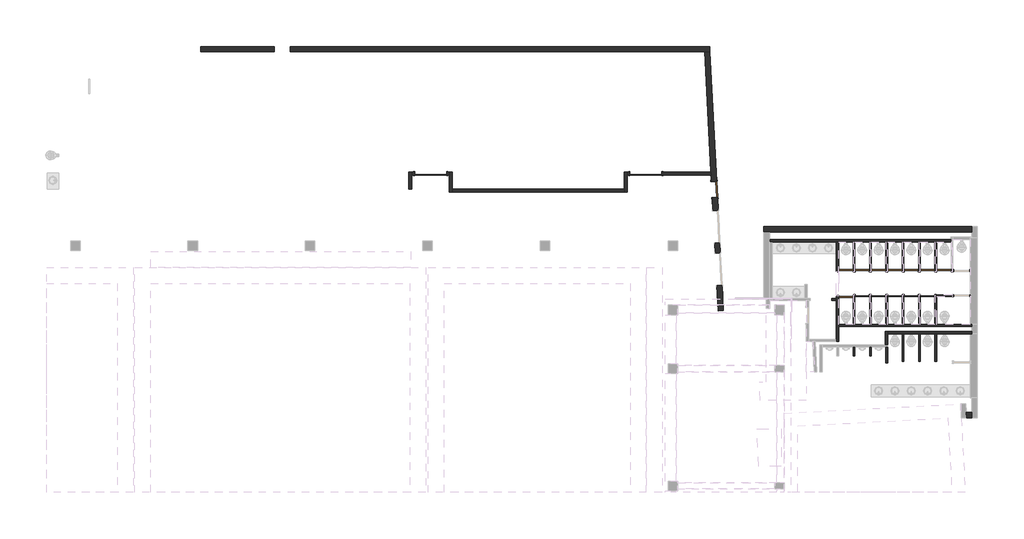
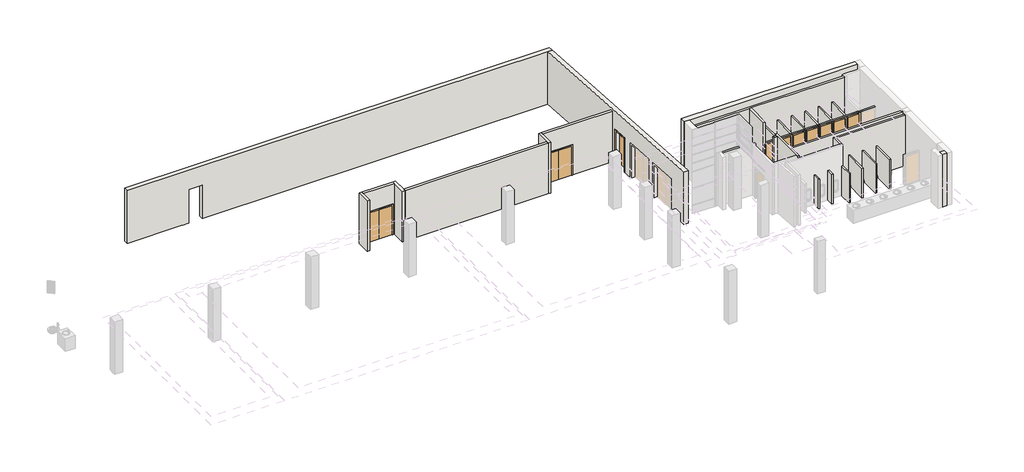
# One storey, part 26 of 36: 38 walls, 16 doors.
"""IFC4 building model written with IfcOpenShell, lengths in millimetres."""

import ifcopenshell
import ifcopenshell.guid

model = None  # the IFC model being written
_history = None  # IfcOwnerHistory: only IFC2X3 demands one
_inside = {}  # id of a spatial element -> (the spatial element, [elements in it])
_under = {}  # id of a project, library or spatial element -> (it, [spatial elements below it])
_declared = {}  # id of a project -> (the project, [libraries it declares])
_typed = {}  # id of a type object -> (the type object, [elements of that type])
_made_of = {}  # id of a material, layer set ... -> (it, [elements and type objects made of it])


def new_model(schema):
    """Start an empty IFC model of exactly this schema.

    Asked for "IFC4X3", IfcOpenShell would pick the latest addendum, in which some entities
    have other attributes; the version numbers below select the first issue.
    IFC2X3 requires an IfcOwnerHistory on every rooted entity: one is made here for all.
    """
    global model, _history
    if schema == "IFC4X3":
        model = ifcopenshell.file(schema_version=(4, 3, 0, 0))
    else:
        model = ifcopenshell.file(schema=schema)
    _inside.clear()
    _under.clear()
    _declared.clear()
    _typed.clear()
    _made_of.clear()
    _history = None
    if model.schema == "IFC2X3":
        org = make("IfcOrganization", Name="unknown")
        user = make(
            "IfcPersonAndOrganization",
            ThePerson=make("IfcPerson", FamilyName="unknown"),
            TheOrganization=org,
        )
        app = make(
            "IfcApplication",
            ApplicationDeveloper=org,
            Version="unknown",
            ApplicationFullName="unknown",
            ApplicationIdentifier="unknown",
        )
        _history = make(
            "IfcOwnerHistory",
            OwningUser=user,
            OwningApplication=app,
            ChangeAction="ADDED",
            CreationDate=0,
        )
    return model


def make(cls, **values):
    """One entity of the class cls with the attributes given. An attribute that is None is left unset."""
    return model.create_entity(
        cls, **{name: value for name, value in values.items() if value is not None}
    )


def rooted(cls, **values):
    """An entity with a GlobalId (a new one), such as an element, a storey or a relation."""
    return make(cls, GlobalId=ifcopenshell.guid.new(), OwnerHistory=_history, **values)


def si_unit(unit_type, name, prefix=None):
    """IfcSIUnit, for example si_unit("LENGTHUNIT", "METRE", prefix="MILLI")."""
    return make("IfcSIUnit", UnitType=unit_type, Prefix=prefix, Name=name)


def assignment(units):
    """IfcUnitAssignment: the units of a project."""
    return None if units is None else make("IfcUnitAssignment", Units=units)


def point(xyz):
    """IfcCartesianPoint."""
    return None if xyz is None else make("IfcCartesianPoint", Coordinates=xyz)


def direction(xyz):
    """IfcDirection."""
    return None if xyz is None else make("IfcDirection", DirectionRatios=xyz)


def frame(location, z_axis=None, x_axis=None):
    """IfcAxis2Placement3D, a coordinate frame: its origin and axes. An axis left out is left unset."""
    return make(
        "IfcAxis2Placement3D",
        Location=point(location),
        Axis=direction(z_axis),
        RefDirection=direction(x_axis),
    )


def origin():
    """The frame at (0, 0, 0) with its axes left unset."""
    return frame((0.0, 0.0, 0.0))


def origin_with_axes():
    """The frame at (0, 0, 0) with the z axis (0, 0, 1) and the x axis (1, 0, 0) written out."""
    return frame((0.0, 0.0, 0.0), z_axis=(0.0, 0.0, 1.0), x_axis=(1.0, 0.0, 0.0))


def place(relative_to, where):
    """IfcLocalPlacement: puts the frame where relative to a parent placement (None: the world)."""
    return make(
        "IfcLocalPlacement", PlacementRelTo=relative_to, RelativePlacement=where
    )


def context(
    kind, dimensions, precision=None, world=None, true_north=None, identifier=None
):
    """IfcGeometricRepresentationContext, for example the 3D "Model" context."""
    return make(
        "IfcGeometricRepresentationContext",
        ContextIdentifier=identifier,
        ContextType=kind,
        CoordinateSpaceDimension=dimensions,
        Precision=precision,
        WorldCoordinateSystem=world,
        TrueNorth=true_north,
    )


def project(units=None, contexts=None):
    """IfcProject with its units and contexts."""
    return rooted(
        "IfcProject",
        Name="project",
        RepresentationContexts=contexts,
        UnitsInContext=assignment(units),
    )


def spatial(cls, under=None, at=None, **own):
    """A site, building, storey or space (cls), placed at a placement, below another one or the project."""
    s = rooted(cls, ObjectPlacement=at, **own)
    if under is not None:
        _under.setdefault(under.id(), (under, []))[1].append(s)
    return s


def polyline(points):
    """IfcPolyline through the points."""
    return make("IfcPolyline", Points=[point(p) for p in points])


def outline(outer, holes=None, kind="AREA"):
    """IfcArbitraryClosedProfileDef: a profile drawn as a closed curve; with holes, ...WithVoids."""
    if holes is None:
        return make("IfcArbitraryClosedProfileDef", ProfileType=kind, OuterCurve=outer)
    return make(
        "IfcArbitraryProfileDefWithVoids",
        ProfileType=kind,
        OuterCurve=outer,
        InnerCurves=holes,
    )


def extrude(swept, where, along, depth):
    """IfcExtrudedAreaSolid: the profile swept, set in the frame where, extruded along a direction by depth."""
    return make(
        "IfcExtrudedAreaSolid",
        SweptArea=swept,
        Position=where,
        ExtrudedDirection=direction(along),
        Depth=depth,
    )


def faces_of(points, faces, orient=None, outer=None):
    """IfcFace entities. A face is a list of loops; a loop is a list of indices into points, from 0.

    orient and outer hold one flag for each loop. By default every Orientation is true, the
    first loop of a face is its IfcFaceOuterBound and the others are IfcFaceBound.
    """
    made = []
    for i, loops in enumerate(faces):
        bounds = []
        for j, loop in enumerate(loops):
            is_outer = j == 0 if outer is None else outer[i][j]
            bounds.append(
                make(
                    "IfcFaceOuterBound" if is_outer else "IfcFaceBound",
                    Bound=make("IfcPolyLoop", Polygon=[points[k] for k in loop]),
                    Orientation=True if orient is None else orient[i][j],
                )
            )
        made.append(make("IfcFace", Bounds=bounds))
    return made


def faceted_brep(points, faces, orient=None, outer=None, voids=None):
    """IfcFacetedBrep: a solid bounded by flat faces; with voids (closed shells), ...WithVoids."""
    shared = [point(p) for p in points]
    hull = make("IfcClosedShell", CfsFaces=faces_of(shared, faces, orient, outer))
    if voids is None:
        return make("IfcFacetedBrep", Outer=hull)
    return make(
        "IfcFacetedBrepWithVoids",
        Outer=hull,
        Voids=[
            make(cls, CfsFaces=faces_of(shared, fs, o, b)) for cls, fs, o, b in voids
        ],
    )


def shape(context_of_items, identifier, shape_type, items):
    """IfcShapeRepresentation: the items that make up one representation, for example the "Body"."""
    return make(
        "IfcShapeRepresentation",
        ContextOfItems=context_of_items,
        RepresentationIdentifier=identifier,
        RepresentationType=shape_type,
        Items=items,
    )


def source(mapping_origin, context_of_items, identifier, shape_type, items):
    """IfcRepresentationMap: a shape defined once, which mapped items show again and again."""
    return make(
        "IfcRepresentationMap",
        MappingOrigin=mapping_origin,
        MappedRepresentation=shape(context_of_items, identifier, shape_type, items),
    )


def transform(
    local_origin,
    x_axis=None,
    y_axis=None,
    z_axis=None,
    scale=None,
    scale2=None,
    scale3=None,
    uniform=True,
):
    """IfcCartesianTransformationOperator3D, or its non-uniform kind. x_axis, y_axis, z_axis: its Axis1, 2, 3."""
    if uniform:
        return make(
            "IfcCartesianTransformationOperator3D",
            Axis1=direction(x_axis),
            Axis2=direction(y_axis),
            LocalOrigin=point(local_origin),
            Scale=scale,
            Axis3=direction(z_axis),
        )
    return make(
        "IfcCartesianTransformationOperator3DnonUniform",
        Axis1=direction(x_axis),
        Axis2=direction(y_axis),
        LocalOrigin=point(local_origin),
        Scale=scale,
        Axis3=direction(z_axis),
        Scale2=scale2,
        Scale3=scale3,
    )


def mapped(mapping_source, mapping_target):
    """IfcMappedItem: shows the shape of a source again, moved by a transform."""
    return make(
        "IfcMappedItem", MappingSource=mapping_source, MappingTarget=mapping_target
    )


def made_of(thing, what):
    """Note that an element or type object is made of a material, layer set ...; save() writes the relation."""
    if what is not None:
        _made_of.setdefault(what.id(), (what, []))[1].append(thing)
    return thing


def element(
    cls,
    number,
    at=None,
    inside=None,
    cuts=None,
    type_object=None,
    material=None,
    context=None,
    identifier="Body",
    shape_type=None,
    held_by="IfcProductDefinitionShape",
    body=None,
    shapes=None,
    **own,
):
    """One element of the class cls, such as IfcWall. Its Tag is "e" and its number.

    at: its placement. inside: the storey or other place that contains it. cuts: it is an
    opening in that element (IfcRelVoidsElement). A single representation is given by context,
    identifier, shape_type and body (its items); several are given by shapes. held_by: the class
    of the entity that holds the representations. save() writes the other relations.
    """
    e = rooted(cls, Tag="e%d" % number, ObjectPlacement=at, **own)
    if body is not None:
        shapes = [shape(context, identifier, shape_type, body)]
    if shapes is not None:
        e.Representation = make(held_by, Representations=shapes)
    if inside is not None:
        _inside.setdefault(inside.id(), (inside, []))[1].append(e)
    if cuts is not None:
        rooted(
            "IfcRelVoidsElement", RelatingBuildingElement=cuts, RelatedOpeningElement=e
        )
    if type_object is not None:
        _typed.setdefault(type_object.id(), (type_object, []))[1].append(e)
    return made_of(e, material)


def aggregate(whole, parts):
    """IfcRelAggregates: a whole, such as a stair, and the parts it consists of."""
    return rooted("IfcRelAggregates", RelatingObject=whole, RelatedObjects=parts)


def save(model, path):
    """Write the relations noted so far, then the file.

    IfcRelAggregates (storeys below a building ...), IfcRelContainedInSpatialStructure (elements
    in a storey), IfcRelDefinesByType, IfcRelAssociatesMaterial and IfcRelDeclares: one each for
    every whole, place, type object, material and project.
    """
    for whole, parts in _under.values():
        aggregate(whole, parts)
    for where, things in _inside.values():
        rooted(
            "IfcRelContainedInSpatialStructure",
            RelatedElements=things,
            RelatingStructure=where,
        )
    for kind, things in _typed.values():
        rooted("IfcRelDefinesByType", RelatedObjects=things, RelatingType=kind)
    for what, things in _made_of.values():
        rooted("IfcRelAssociatesMaterial", RelatedObjects=things, RelatingMaterial=what)
    for by, libraries in _declared.values():
        rooted("IfcRelDeclares", RelatingContext=by, RelatedDefinitions=libraries)
    model.write(path)


def door_798f09d1(model_context):
    return source(origin(), model_context, "Body", "SweptSolid", [
        extrude(outline(polyline([(0.0, 88.9), (914.4, 88.9), (914.4, 38.1), (0.0, 38.1), (0.0, 88.9)])), origin_with_axes(), (0.0, 0.0, 1.0), 2133.6),
        extrude(outline(polyline([(-914.4, 88.9), (0.0, 88.9), (0.0, 38.1), (-914.4, 38.1), (-914.4, 88.9)])), origin_with_axes(), (0.0, 0.0, 1.0), 2133.6),
        extrude(outline(polyline([(2133.6, -914.4), (2133.6, 914.4), (0.0, 914.4), (0.0, 990.6), (2209.8, 990.6), (2209.8, -990.6), (0.0, -990.6), (0.0, -914.4), (2133.6, -914.4)])), frame((0.0, -114.3, 0.0), z_axis=(0.0, 1.0, 0.0), x_axis=(0.0, 0.0, 1.0)), (0.0, 0.0, 1.0), 25.4),
        extrude(outline(polyline([(2133.6, -914.4), (2133.6, 914.4), (0.0, 914.4), (0.0, 990.6), (2209.8, 990.6), (2209.8, -990.6), (0.0, -990.6), (0.0, -914.4), (2133.6, -914.4)])), frame((0.0, 88.9, 0.0), z_axis=(0.0, 1.0, 0.0), x_axis=(0.0, 0.0, 1.0)), (0.0, 0.0, 1.0), 25.4),
    ])


def door_2c56e52c(model_context):
    return source(origin(), model_context, "Body", "SweptSolid", [
        extrude(outline(polyline([(2108.2, -482.6), (0.0, -482.6), (0.0, -406.4), (2032.0, -406.4), (2032.0, 406.4), (0.0, 406.4), (0.0, 482.6), (2108.2, 482.6), (2108.2, -482.6)])), frame((0.0, -73.025, 0.0), z_axis=(0.0, 1.0, 0.0), x_axis=(0.0, 0.0, 1.0)), (0.0, 0.0, 1.0), 25.4),
        extrude(outline(polyline([(2108.2, 482.6), (2108.2, -482.6), (0.0, -482.6), (0.0, -406.4), (2032.0, -406.4), (2032.0, 406.4), (0.0, 406.4), (0.0, 482.6), (2108.2, 482.6)])), frame((0.0, 47.625, 0.0), z_axis=(0.0, 1.0, 0.0), x_axis=(0.0, 0.0, 1.0)), (0.0, 0.0, 1.0), 25.4),
        extrude(outline(polyline([(406.4, 3.175), (406.4, -47.625), (-406.4, -47.625), (-406.4, 3.175), (406.4, 3.175)])), origin_with_axes(), (0.0, 0.0, 1.0), 2032.0),
    ])


def door_a74dcce1(model_context):
    return source(origin(), model_context, "Body", "SweptSolid", [
        extrude(outline(polyline([(2108.2, -482.6), (0.0, -482.6), (0.0, -406.4), (2032.0, -406.4), (2032.0, 406.4), (0.0, 406.4), (0.0, 482.6), (2108.2, 482.6), (2108.2, -482.6)])), frame((0.0, 47.625, 0.0), z_axis=(0.0, 1.0, 0.0), x_axis=(0.0, 0.0, 1.0)), (0.0, 0.0, 1.0), 25.4),
        extrude(outline(polyline([(2108.2, 482.6), (2108.2, -482.6), (0.0, -482.6), (0.0, -406.4), (2032.0, -406.4), (2032.0, 406.4), (0.0, 406.4), (0.0, 482.6), (2108.2, 482.6)])), frame((0.0, -73.025, 0.0), z_axis=(0.0, 1.0, 0.0), x_axis=(0.0, 0.0, 1.0)), (0.0, 0.0, 1.0), 25.4),
        extrude(outline(polyline([(406.4, -3.175), (-406.4, -3.175), (-406.4, 47.625), (406.4, 47.625), (406.4, -3.175)])), origin_with_axes(), (0.0, 0.0, 1.0), 2032.0),
    ])


def door_43aeee98(model_context):
    return source(origin(), model_context, "Body", "SweptSolid", [
        extrude(outline(polyline([(2514.6, -533.4), (0.0, -533.4), (0.0, -457.2), (2438.4, -457.2), (2438.4, 457.2), (0.0, 457.2), (0.0, 533.4), (2514.6, 533.4), (2514.6, -533.4)])), frame((0.0, 152.4, 0.0), z_axis=(0.0, 1.0, 0.0), x_axis=(0.0, 0.0, 1.0)), (0.0, 0.0, 1.0), 25.4),
        extrude(outline(polyline([(2514.6, 533.4), (2514.6, -533.4), (0.0, -533.4), (0.0, -457.2), (2438.4, -457.2), (2438.4, 457.2), (0.0, 457.2), (0.0, 533.4), (2514.6, 533.4)])), frame((0.0, -177.8, 0.0), z_axis=(0.0, 1.0, 0.0), x_axis=(0.0, 0.0, 1.0)), (0.0, 0.0, 1.0), 25.4),
        extrude(outline(polyline([(457.2, 101.6), (-457.2, 101.6), (-457.2, 152.4), (457.2, 152.4), (457.2, 101.6)])), origin_with_axes(), (0.0, 0.0, 1.0), 2438.4),
    ])


model = new_model("IFC4")

# Units and contexts
model_context = context("Model", 3, world=origin())
ifc_project = project(units=[si_unit("LENGTHUNIT", "METRE", prefix="MILLI")], contexts=[model_context])

# Site, building, storey
site = spatial("IfcSite", under=ifc_project)
building = spatial("IfcBuilding", under=site)
storey = spatial("IfcBuildingStorey", under=building, Elevation=0.0)

# Doors
placement = place(None, origin())
door_shape = door_798f09d1(model_context)
element("IfcDoor", 1, ObjectType="Double-Flush : 72\" x 84\"", at=placement, inside=storey, context=model_context, shape_type="MappedRepresentation", body=[
    mapped(door_shape, transform((2360.6559655, 18650.740365, 0.0), x_axis=(-1.0, 0.0, 0.0), y_axis=(0.0, -1.0, 0.0), z_axis=(0.0, 0.0, 1.0))),
])
element("IfcDoor", 2, ObjectType="Double-Flush : 72\" x 84\"", at=placement, inside=storey, context=model_context, shape_type="MappedRepresentation", body=[
    mapped(door_shape, transform((14654.2559655, 18650.740365, 0.0), x_axis=(-1.0, 0.0, 0.0), y_axis=(0.0, -1.0, 0.0), z_axis=(0.0, 0.0, 1.0))),
])
door_2_shape = door_2c56e52c(model_context)
element("IfcDoor", 3, ObjectType="Single-Flush : 32\" x 80\"", at=placement, inside=storey, context=model_context, shape_type="MappedRepresentation", body=[
    mapped(door_2_shape, transform((27014.5309655, 13116.715365, 0.0), x_axis=(-1.0, 0.0, 0.0), y_axis=(0.0, -1.0, 0.0), z_axis=(0.0, 0.0, 1.0))),
])
element("IfcDoor", 4, ObjectType="Single-Flush : 32\" x 80\"", at=placement, inside=storey, context=model_context, shape_type="MappedRepresentation", body=[
    mapped(door_2_shape, transform((27947.9809655, 13116.715365, 0.0), x_axis=(-1.0, 0.0, 0.0), y_axis=(0.0, -1.0, 0.0), z_axis=(0.0, 0.0, 1.0))),
])
element("IfcDoor", 5, ObjectType="Single-Flush : 32\" x 80\"", at=placement, inside=storey, context=model_context, shape_type="MappedRepresentation", body=[
    mapped(door_2_shape, transform((28881.4309655, 13116.715365, 0.0), x_axis=(-1.0, 0.0, 0.0), y_axis=(0.0, -1.0, 0.0), z_axis=(0.0, 0.0, 1.0))),
])
element("IfcDoor", 6, ObjectType="Single-Flush : 32\" x 80\"", at=placement, inside=storey, context=model_context, shape_type="MappedRepresentation", body=[
    mapped(door_2_shape, transform((29814.8809655, 13116.715365, 0.0), x_axis=(-1.0, 0.0, 0.0), y_axis=(0.0, -1.0, 0.0), z_axis=(0.0, 0.0, 1.0))),
])
element("IfcDoor", 7, ObjectType="Single-Flush : 32\" x 80\"", at=placement, inside=storey, context=model_context, shape_type="MappedRepresentation", body=[
    mapped(door_2_shape, transform((30748.3309655, 13116.715365, 0.0), x_axis=(-1.0, 0.0, 0.0), y_axis=(0.0, -1.0, 0.0), z_axis=(0.0, 0.0, 1.0))),
])
element("IfcDoor", 8, ObjectType="Single-Flush : 32\" x 80\"", at=placement, inside=storey, context=model_context, shape_type="MappedRepresentation", body=[
    mapped(door_2_shape, transform((26081.0809655, 13116.715365, 0.0), x_axis=(-1.0, 0.0, 0.0), y_axis=(0.0, -1.0, 0.0), z_axis=(0.0, 0.0, 1.0))),
])
element("IfcDoor", 9, ObjectType="Single-Flush : 32\" x 80\"", at=placement, inside=storey, context=model_context, shape_type="MappedRepresentation", body=[
    mapped(door_2_shape, transform((31681.7809655, 13116.715365, 0.0), x_axis=(-1.0, 0.0, 0.0), y_axis=(0.0, -1.0, 0.0), z_axis=(0.0, 0.0, 1.0))),
])
door_3_shape = door_a74dcce1(model_context)
element("IfcDoor", 10, ObjectType="Single-Flush : 32\" x 80\"", at=placement, inside=storey, context=model_context, shape_type="MappedRepresentation", body=[
    mapped(door_3_shape, transform((27014.5309655, 11675.265365, 0.0), x_axis=(-1.0, 0.0, 0.0), y_axis=(0.0, -1.0, 0.0), z_axis=(0.0, 0.0, 1.0))),
])
element("IfcDoor", 11, ObjectType="Single-Flush : 32\" x 80\"", at=placement, inside=storey, context=model_context, shape_type="MappedRepresentation", body=[
    mapped(door_3_shape, transform((27947.9809655, 11675.265365, 0.0), x_axis=(-1.0, 0.0, 0.0), y_axis=(0.0, -1.0, 0.0), z_axis=(0.0, 0.0, 1.0))),
])
element("IfcDoor", 12, ObjectType="Single-Flush : 32\" x 80\"", at=placement, inside=storey, context=model_context, shape_type="MappedRepresentation", body=[
    mapped(door_3_shape, transform((28881.4309655, 11675.265365, 0.0), x_axis=(-1.0, 0.0, 0.0), y_axis=(0.0, -1.0, 0.0), z_axis=(0.0, 0.0, 1.0))),
])
element("IfcDoor", 13, ObjectType="Single-Flush : 32\" x 80\"", at=placement, inside=storey, context=model_context, shape_type="MappedRepresentation", body=[
    mapped(door_3_shape, transform((29814.8809655, 11675.265365, 0.0), x_axis=(-1.0, 0.0, 0.0), y_axis=(0.0, -1.0, 0.0), z_axis=(0.0, 0.0, 1.0))),
])
element("IfcDoor", 14, ObjectType="Single-Flush : 32\" x 80\"", at=placement, inside=storey, context=model_context, shape_type="MappedRepresentation", body=[
    mapped(door_3_shape, transform((30748.3309655, 11675.265365, 0.0), x_axis=(-1.0, 0.0, 0.0), y_axis=(0.0, -1.0, 0.0), z_axis=(0.0, 0.0, 1.0))),
])
element("IfcDoor", 15, ObjectType="Single-Flush : 32\" x 80\"", at=placement, inside=storey, context=model_context, shape_type="MappedRepresentation", body=[
    mapped(door_3_shape, transform((26081.0809655, 11624.465365, 0.0), x_axis=(-1.0, 0.0, 0.0), y_axis=(0.0, -1.0, 0.0), z_axis=(0.0, 0.0, 1.0))),
])
door_4_shape = door_43aeee98(model_context)
element("IfcDoor", 16, ObjectType="Single-Flush : 36\" x 96\"", at=placement, inside=storey, context=model_context, shape_type="MappedRepresentation", body=[
    mapped(door_4_shape, transform((18571.2944152, 17753.8026414, 0.0), x_axis=(0.0523359562429422, -0.9986295347545739, 0.0), y_axis=(0.9986295347545739, 0.0523359562429422, 0.0), z_axis=(0.0, 0.0, 1.0))),
])

# Walls
element("IfcWall", 17, ObjectType="Generic - 12\"", at=placement, inside=storey, context=model_context, shape_type="Brep", body=[
    faceted_brep([(-6567.4440345, 25927.840365, 2438.4), (-6567.4440345, 25927.840365, 0.0), (-10771.1440345, 25927.840365, 0.0), (-10771.1440345, 25927.840365, 3810.0), (18295.5203958, 25927.840365, 3810.0), (18295.5203958, 25927.840365, 0.0), (-5653.0440345, 25927.840365, 0.0), (-5653.0440345, 25927.840365, 2438.4), (-10771.1440345, 25623.040365, 0.0), (-7113.5440345, 25623.040365, 0.0), (-6935.7440345, 25623.040365, 0.0), (-6567.4440345, 25623.040365, 0.0), (-6567.4440345, 25623.040365, 2438.4), (-5653.0440345, 25623.040365, 2438.4), (-5653.0440345, 25623.040365, 0.0), (18006.2759959, 25623.040365, 0.0), (18311.494287, 25623.040365, 0.0), (18311.494287, 25623.040365, 3810.0), (18006.2759959, 25623.040365, 3810.0), (-10771.1440345, 25623.040365, 3810.0)], [[[0, 1, 2, 3, 4, 5, 6, 7]], [[8, 9, 10, 11, 12, 13, 14, 15, 16, 17, 18, 19]], [[6, 5, 16, 15, 14]], [[2, 1, 11, 10, 9, 8]], [[4, 3, 19, 18, 17]], [[3, 2, 8, 19]], [[5, 4, 17, 16]], [[12, 11, 1, 0]], [[13, 12, 0, 7]], [[14, 13, 7, 6]]]),
])
element("IfcWall", 18, ObjectType="Generic - 12\"", at=placement, inside=storey, context=model_context, shape_type="Brep", body=[
    faceted_brep([(18782.6759285, 10808.4471267, 3810.0), (18773.3705955, 10986.003458, 3810.0), (18006.2759959, 25623.040365, 3810.0), (18006.2759959, 25623.040365, 0.0), (18367.0197038, 18739.640365, 0.0), (18376.337807, 18561.840365, 0.0), (18395.1752749, 18202.400065, 0.0), (18395.1752749, 18202.400065, 2438.4), (18443.0312733, 17289.2532184, 2438.4), (18443.0312733, 17289.2532184, 0.0), (18482.9112719, 16528.2975129, 0.0), (18482.9112719, 16528.2975129, 2438.4), (18578.6232687, 14702.0038198, 2438.4), (18578.6232687, 14702.0038198, 0.0), (18610.5272676, 14093.2392554, 0.0), (18610.5272676, 14093.2392554, 2438.4), (18706.2392644, 12266.9455622, 2438.4), (18706.2392644, 12266.9455622, 0.0), (18773.3705955, 10986.003458, 0.0), (18782.6759285, 10808.4471267, 0.0), (18311.494287, 25623.040365, 3810.0), (19087.0582107, 10824.3991262, 3810.0), (19087.0582107, 10824.3991262, 0.0), (19010.6215466, 12282.8975617, 0.0), (19010.6215466, 12282.8975617, 2438.4), (18914.9095498, 14109.1912548, 2438.4), (18914.9095498, 14109.1912548, 0.0), (18883.0055509, 14717.9558192, 0.0), (18883.0055509, 14717.9558192, 2438.4), (18787.2935541, 16544.2495124, 2438.4), (18787.2935541, 16544.2495124, 0.0), (18747.4135555, 17305.2052179, 0.0), (18747.4135555, 17305.2052179, 2438.4), (18699.5575571, 18218.3520645, 2438.4), (18699.5575571, 18218.3520645, 0.0), (18311.494287, 25623.040365, 0.0)], [[[0, 1, 2, 3, 4, 5, 6, 7, 8, 9, 10, 11, 12, 13, 14, 15, 16, 17, 18, 19]], [[20, 21, 22, 23, 24, 25, 26, 27, 28, 29, 30, 31, 32, 33, 34, 35]], [[3, 35, 34, 6, 5, 4]], [[22, 19, 18, 17, 23]], [[26, 14, 13, 27]], [[30, 10, 9, 31]], [[2, 1, 0, 21, 20]], [[3, 2, 20, 35]], [[0, 19, 22, 21]], [[16, 24, 23, 17]], [[24, 16, 15, 25]], [[25, 15, 14, 26]], [[12, 28, 27, 13]], [[28, 12, 11, 29]], [[29, 11, 10, 30]], [[8, 32, 31, 9]], [[32, 8, 7, 33]], [[33, 7, 6, 34]]]),
])
element("IfcWall", 19, ObjectType="Generic - 13\"", at=placement, inside=storey, context=model_context, shape_type="Brep", body=[
    faceted_brep([(33266.1059655, 5023.640365, 0.0), (32959.9068161, 5023.640365, 0.0), (32959.9068161, 5023.640365, 3810.0), (33266.1059655, 5023.640365, 3810.0), (33266.1059655, 4693.440365, 0.0), (33266.1059655, 4693.440365, 3810.0), (33053.5164375, 4693.440365, 3810.0), (32977.2118648, 4693.440365, 3810.0), (32977.2118648, 4693.440365, 0.0), (33053.5164375, 4693.440365, 0.0)], [[[0, 1, 2, 3]], [[4, 5, 6, 7, 8, 9]], [[1, 0, 4, 9, 8]], [[3, 2, 7, 6, 5]], [[0, 3, 5, 4]], [[2, 1, 8, 7]]]),
])
element("IfcWall", 20, ObjectType="Generic - 13\"", at=placement, inside=storey, context=model_context, shape_type="Brep", body=[
    faceted_brep([(21401.1309655, 15310.640365, 0.0), (21731.3309655, 15310.640365, 0.0), (33266.1059655, 15310.640365, 0.0), (33266.1059655, 15310.640365, 3810.0), (21731.3309655, 15310.640365, 3810.0), (21401.1309655, 15310.640365, 3810.0), (21401.1309655, 15640.840365, 0.0), (21401.1309655, 15640.840365, 3810.0), (33266.1059655, 15640.840365, 3810.0), (33266.1059655, 15640.840365, 0.0)], [[[0, 1, 2, 3, 4, 5]], [[6, 7, 8, 9]], [[2, 1, 0, 6, 9]], [[5, 4, 3, 8, 7]], [[3, 2, 9, 8]], [[0, 5, 7, 6]]]),
])
element("IfcWall", 21, ObjectType="Generic - 3 3/4\"", at=placement, inside=storey, context=model_context, shape_type="Brep", body=[
    faceted_brep([(26500.1809655, 11722.890365, 0.0), (26500.1809655, 11672.090365, 0.0), (26500.1809655, 11576.840365, 0.0), (26500.1809655, 10046.490365, 0.0), (26500.1809655, 10046.490365, 2133.6), (26500.1809655, 11576.840365, 2133.6), (26500.1809655, 11672.090365, 2133.6), (26500.1809655, 11722.890365, 2133.6), (26595.4309655, 11722.890365, 0.0), (26595.4309655, 11722.890365, 2133.6), (26595.4309655, 11627.640365, 2133.6), (26595.4309655, 10046.490365, 2133.6), (26595.4309655, 10046.490365, 0.0), (26595.4309655, 11627.640365, 0.0)], [[[0, 1, 2, 3, 4, 5, 6, 7]], [[8, 9, 10, 11, 12, 13]], [[3, 2, 1, 0, 8, 13, 12]], [[7, 6, 5, 4, 11, 10, 9]], [[4, 3, 12, 11]], [[0, 7, 9, 8]]]),
])
element("IfcWall", 22, ObjectType="Generic - 3 3/4\"", at=placement, inside=storey, context=model_context, shape_type="SweptSolid", body=[
    extrude(outline(polyline([(27433.6309655, 10046.490365), (27433.6309655, 11627.640365), (27528.8809655, 11627.640365), (27528.8809655, 10046.490365), (27433.6309655, 10046.490365)])), origin_with_axes(), (0.0, 0.0, 1.0), 2133.6),
])
element("IfcWall", 23, ObjectType="Generic - 3 3/4\"", at=placement, inside=storey, context=model_context, shape_type="SweptSolid", body=[
    extrude(outline(polyline([(28367.0809655, 10046.490365), (28367.0809655, 11627.640365), (28462.3309655, 11627.640365), (28462.3309655, 10046.490365), (28367.0809655, 10046.490365)])), origin_with_axes(), (0.0, 0.0, 1.0), 2133.6),
])
element("IfcWall", 24, ObjectType="Generic - 3 3/4\"", at=placement, inside=storey, context=model_context, shape_type="SweptSolid", body=[
    extrude(outline(polyline([(29300.5309655, 10046.490365), (29300.5309655, 11627.640365), (29395.7809655, 11627.640365), (29395.7809655, 10046.490365), (29300.5309655, 10046.490365)])), origin_with_axes(), (0.0, 0.0, 1.0), 2133.6),
])
element("IfcWall", 25, ObjectType="Generic - 3 3/4\"", at=placement, inside=storey, context=model_context, shape_type="SweptSolid", body=[
    extrude(outline(polyline([(30233.9809655, 10046.490365), (30233.9809655, 11627.640365), (30329.2309655, 11627.640365), (30329.2309655, 10046.490365), (30233.9809655, 10046.490365)])), origin_with_axes(), (0.0, 0.0, 1.0), 2133.6),
])
element("IfcWall", 26, ObjectType="Generic - 3 3/4\"", at=placement, inside=storey, context=model_context, shape_type="Brep", body=[
    faceted_brep([(33186.7309655, 11722.890365, 0.0), (33148.6309655, 11722.890365, 0.0), (33148.6309655, 11722.890365, 2032.0), (32234.2309655, 11722.890365, 2032.0), (32234.2309655, 11722.890365, 0.0), (31154.7309655, 11722.890365, 0.0), (31154.7309655, 11722.890365, 2032.0), (30341.9309655, 11722.890365, 2032.0), (30341.9309655, 11722.890365, 0.0), (30221.2809655, 11722.890365, 0.0), (30221.2809655, 11722.890365, 2032.0), (29408.4809655, 11722.890365, 2032.0), (29408.4809655, 11722.890365, 0.0), (29287.8309655, 11722.890365, 0.0), (29287.8309655, 11722.890365, 2032.0), (28475.0309655, 11722.890365, 2032.0), (28475.0309655, 11722.890365, 0.0), (28354.3809655, 11722.890365, 0.0), (28354.3809655, 11722.890365, 2032.0), (27541.5809655, 11722.890365, 2032.0), (27541.5809655, 11722.890365, 0.0), (27420.9309655, 11722.890365, 0.0), (27420.9309655, 11722.890365, 2032.0), (26608.1309655, 11722.890365, 2032.0), (26608.1309655, 11722.890365, 0.0), (26595.4309655, 11722.890365, 0.0), (26595.4309655, 11722.890365, 2133.6), (33186.7309655, 11722.890365, 2133.6), (33148.6309655, 11627.640365, 2032.0), (33148.6309655, 11627.640365, 0.0), (33186.7309655, 11627.640365, 0.0), (33186.7309655, 11627.640365, 2133.6), (31262.6809655, 11627.640365, 2133.6), (31167.4309655, 11627.640365, 2133.6), (30329.2309655, 11627.640365, 2133.6), (30233.9809655, 11627.640365, 2133.6), (29395.7809655, 11627.640365, 2133.6), (29300.5309655, 11627.640365, 2133.6), (28462.3309655, 11627.640365, 2133.6), (28367.0809655, 11627.640365, 2133.6), (27528.8809655, 11627.640365, 2133.6), (27433.6309655, 11627.640365, 2133.6), (26595.4309655, 11627.640365, 2133.6), (26595.4309655, 11627.640365, 0.0), (26608.1309655, 11627.640365, 0.0), (26608.1309655, 11627.640365, 2032.0), (27420.9309655, 11627.640365, 2032.0), (27420.9309655, 11627.640365, 0.0), (27433.6309655, 11627.640365, 0.0), (27528.8809655, 11627.640365, 0.0), (27541.5809655, 11627.640365, 0.0), (27541.5809655, 11627.640365, 2032.0), (28354.3809655, 11627.640365, 2032.0), (28354.3809655, 11627.640365, 0.0), (28367.0809655, 11627.640365, 0.0), (28462.3309655, 11627.640365, 0.0), (28475.0309655, 11627.640365, 0.0), (28475.0309655, 11627.640365, 2032.0), (29287.8309655, 11627.640365, 2032.0), (29287.8309655, 11627.640365, 0.0), (29300.5309655, 11627.640365, 0.0), (29395.7809655, 11627.640365, 0.0), (29408.4809655, 11627.640365, 0.0), (29408.4809655, 11627.640365, 2032.0), (30221.2809655, 11627.640365, 2032.0), (30221.2809655, 11627.640365, 0.0), (30233.9809655, 11627.640365, 0.0), (30329.2309655, 11627.640365, 0.0), (30341.9309655, 11627.640365, 0.0), (30341.9309655, 11627.640365, 2032.0), (31154.7309655, 11627.640365, 2032.0), (31154.7309655, 11627.640365, 0.0), (31167.4309655, 11627.640365, 0.0), (31262.6809655, 11627.640365, 0.0), (32234.2309655, 11627.640365, 0.0), (32234.2309655, 11627.640365, 2032.0)], [[[0, 1, 2, 3, 4, 5, 6, 7, 8, 9, 10, 11, 12, 13, 14, 15, 16, 17, 18, 19, 20, 21, 22, 23, 24, 25, 26, 27]], [[28, 29, 30, 31, 32, 33, 34, 35, 36, 37, 38, 39, 40, 41, 42, 43, 44, 45, 46, 47, 48, 49, 50, 51, 52, 53, 54, 55, 56, 57, 58, 59, 60, 61, 62, 63, 64, 65, 66, 67, 68, 69, 70, 71, 72, 73, 74, 75]], [[25, 24, 44, 43]], [[21, 20, 50, 49, 48, 47]], [[17, 16, 56, 55, 54, 53]], [[13, 12, 62, 61, 60, 59]], [[9, 8, 68, 67, 66, 65]], [[30, 29, 1, 0]], [[74, 73, 72, 71, 5, 4]], [[27, 26, 42, 41, 40, 39, 38, 37, 36, 35, 34, 33, 32, 31]], [[0, 27, 31, 30]], [[45, 44, 24, 23]], [[46, 45, 23, 22]], [[47, 46, 22, 21]], [[26, 25, 43, 42]], [[51, 50, 20, 19]], [[52, 51, 19, 18]], [[53, 52, 18, 17]], [[57, 56, 16, 15]], [[58, 57, 15, 14]], [[59, 58, 14, 13]], [[63, 62, 12, 11]], [[64, 63, 11, 10]], [[65, 64, 10, 9]], [[69, 68, 8, 7]], [[70, 69, 7, 6]], [[71, 70, 6, 5]], [[2, 1, 29, 28]], [[3, 2, 28, 75]], [[4, 3, 75, 74]]]),
])
element("IfcWall", 27, ObjectType="Generic - 3 3/4\"", at=placement, inside=storey, context=model_context, shape_type="SweptSolid", body=[
    extrude(outline(polyline([(31167.4309655, 10046.490365), (31167.4309655, 11627.640365), (31262.6809655, 11627.640365), (31262.6809655, 10046.490365), (31167.4309655, 10046.490365)])), origin_with_axes(), (0.0, 0.0, 1.0), 2133.6),
])
element("IfcWall", 28, ObjectType="Generic - 3 3/4\"", at=placement, inside=storey, context=model_context, shape_type="SweptSolid", body=[
    extrude(outline(polyline([(26500.1809655, 8236.740365), (26500.1809655, 8744.740365), (26595.4309655, 8744.740365), (26595.4309655, 8236.740365), (26500.1809655, 8236.740365)])), origin_with_axes(), (0.0, 0.0, 1.0), 2133.6),
])
element("IfcWall", 29, ObjectType="Generic - 3 3/4\"", at=placement, inside=storey, context=model_context, shape_type="SweptSolid", body=[
    extrude(outline(polyline([(27433.6309655, 8250.1096419), (27433.6309655, 8744.740365), (27528.8809655, 8744.740365), (27528.8809655, 8250.1096419), (27433.6309655, 8250.1096419)])), origin_with_axes(), (0.0, 0.0, 1.0), 2133.6),
])
element("IfcWall", 30, ObjectType="Generic - 3 3/4\"", at=placement, inside=storey, context=model_context, shape_type="SweptSolid", body=[
    extrude(outline(polyline([(0.0, 25661.9809655), (0.0, 25674.6809655), (2032.0, 25674.6809655), (2032.0, 26487.4809655), (0.0, 26487.4809655), (0.0, 26500.1809655), (2133.6, 26500.1809655), (2133.6, 25661.9809655), (0.0, 25661.9809655)])), frame((0.0, 11576.840365, 0.0), z_axis=(0.0, 1.0, 0.0), x_axis=(0.0, 0.0, 1.0)), (0.0, 0.0, 1.0), 95.25),
])
element("IfcWall", 31, ObjectType="Generic - 3 3/4\"", at=placement, inside=storey, context=model_context, shape_type="SweptSolid", body=[
    extrude(outline(polyline([(26595.4309655, 14745.490365), (26595.4309655, 13164.340365), (26500.1809655, 13164.340365), (26500.1809655, 14745.490365), (26595.4309655, 14745.490365)])), origin_with_axes(), (0.0, 0.0, 1.0), 2133.6),
])
element("IfcWall", 32, ObjectType="Generic - 3 3/4\"", at=placement, inside=storey, context=model_context, shape_type="SweptSolid", body=[
    extrude(outline(polyline([(27528.8809655, 14745.490365), (27528.8809655, 13164.340365), (27433.6309655, 13164.340365), (27433.6309655, 14745.490365), (27528.8809655, 14745.490365)])), origin_with_axes(), (0.0, 0.0, 1.0), 2133.6),
])
element("IfcWall", 33, ObjectType="Generic - 3 3/4\"", at=placement, inside=storey, context=model_context, shape_type="SweptSolid", body=[
    extrude(outline(polyline([(28462.3309655, 14745.490365), (28462.3309655, 13164.340365), (28367.0809655, 13164.340365), (28367.0809655, 14745.490365), (28462.3309655, 14745.490365)])), origin_with_axes(), (0.0, 0.0, 1.0), 2133.6),
])
element("IfcWall", 34, ObjectType="Generic - 3 3/4\"", at=placement, inside=storey, context=model_context, shape_type="SweptSolid", body=[
    extrude(outline(polyline([(29395.7809655, 14745.490365), (29395.7809655, 13164.340365), (29300.5309655, 13164.340365), (29300.5309655, 14745.490365), (29395.7809655, 14745.490365)])), origin_with_axes(), (0.0, 0.0, 1.0), 2133.6),
])
element("IfcWall", 35, ObjectType="Generic - 3 3/4\"", at=placement, inside=storey, context=model_context, shape_type="SweptSolid", body=[
    extrude(outline(polyline([(30329.2309655, 14745.490365), (30329.2309655, 13164.340365), (30233.9809655, 13164.340365), (30233.9809655, 14745.490365), (30329.2309655, 14745.490365)])), origin_with_axes(), (0.0, 0.0, 1.0), 2133.6),
])
element("IfcWall", 36, ObjectType="Generic - 3 3/4\"", at=placement, inside=storey, context=model_context, shape_type="Brep", body=[
    faceted_brep([(31275.3809655, 13164.340365, 2032.0), (31275.3809655, 13164.340365, 0.0), (31262.6809655, 13164.340365, 0.0), (31167.4309655, 13164.340365, 0.0), (31154.7309655, 13164.340365, 0.0), (31154.7309655, 13164.340365, 2032.0), (30341.9309655, 13164.340365, 2032.0), (30341.9309655, 13164.340365, 0.0), (30329.2309655, 13164.340365, 0.0), (30233.9809655, 13164.340365, 0.0), (30221.2809655, 13164.340365, 0.0), (30221.2809655, 13164.340365, 2032.0), (29408.4809655, 13164.340365, 2032.0), (29408.4809655, 13164.340365, 0.0), (29395.7809655, 13164.340365, 0.0), (29300.5309655, 13164.340365, 0.0), (29287.8309655, 13164.340365, 0.0), (29287.8309655, 13164.340365, 2032.0), (28475.0309655, 13164.340365, 2032.0), (28475.0309655, 13164.340365, 0.0), (28462.3309655, 13164.340365, 0.0), (28367.0809655, 13164.340365, 0.0), (28354.3809655, 13164.340365, 0.0), (28354.3809655, 13164.340365, 2032.0), (27541.5809655, 13164.340365, 2032.0), (27541.5809655, 13164.340365, 0.0), (27528.8809655, 13164.340365, 0.0), (27433.6309655, 13164.340365, 0.0), (27420.9309655, 13164.340365, 0.0), (27420.9309655, 13164.340365, 2032.0), (26608.1309655, 13164.340365, 2032.0), (26608.1309655, 13164.340365, 0.0), (26595.4309655, 13164.340365, 0.0), (26500.1809655, 13164.340365, 0.0), (26487.4809655, 13164.340365, 0.0), (26487.4809655, 13164.340365, 2032.0), (25674.6809655, 13164.340365, 2032.0), (25674.6809655, 13164.340365, 0.0), (25661.9809655, 13164.340365, 0.0), (25661.9809655, 13164.340365, 2133.6), (26500.1809655, 13164.340365, 2133.6), (26595.4309655, 13164.340365, 2133.6), (27433.6309655, 13164.340365, 2133.6), (27528.8809655, 13164.340365, 2133.6), (28367.0809655, 13164.340365, 2133.6), (28462.3309655, 13164.340365, 2133.6), (29300.5309655, 13164.340365, 2133.6), (29395.7809655, 13164.340365, 2133.6), (30233.9809655, 13164.340365, 2133.6), (30329.2309655, 13164.340365, 2133.6), (31167.4309655, 13164.340365, 2133.6), (31262.6809655, 13164.340365, 2133.6), (32100.8809655, 13164.340365, 2133.6), (32196.1309655, 13164.340365, 2133.6), (33186.7309655, 13164.340365, 2133.6), (33186.7309655, 13164.340365, 0.0), (33148.6309655, 13164.340365, 0.0), (33148.6309655, 13164.340365, 2032.0), (32234.2309655, 13164.340365, 2032.0), (32234.2309655, 13164.340365, 0.0), (32196.1309655, 13164.340365, 0.0), (32100.8809655, 13164.340365, 0.0), (32088.1809655, 13164.340365, 0.0), (32088.1809655, 13164.340365, 2032.0), (31154.7309655, 13069.090365, 0.0), (31275.3809655, 13069.090365, 0.0), (31275.3809655, 13069.090365, 2032.0), (32088.1809655, 13069.090365, 2032.0), (32088.1809655, 13069.090365, 0.0), (32234.2309655, 13069.090365, 0.0), (32234.2309655, 13069.090365, 2032.0), (33148.6309655, 13069.090365, 2032.0), (33148.6309655, 13069.090365, 0.0), (33186.7309655, 13069.090365, 0.0), (33186.7309655, 13069.090365, 2133.6), (25661.9809655, 13069.090365, 2133.6), (25661.9809655, 13069.090365, 0.0), (25674.6809655, 13069.090365, 0.0), (25674.6809655, 13069.090365, 2032.0), (26487.4809655, 13069.090365, 2032.0), (26487.4809655, 13069.090365, 0.0), (26608.1309655, 13069.090365, 0.0), (26608.1309655, 13069.090365, 2032.0), (27420.9309655, 13069.090365, 2032.0), (27420.9309655, 13069.090365, 0.0), (27541.5809655, 13069.090365, 0.0), (27541.5809655, 13069.090365, 2032.0), (28354.3809655, 13069.090365, 2032.0), (28354.3809655, 13069.090365, 0.0), (28475.0309655, 13069.090365, 0.0), (28475.0309655, 13069.090365, 2032.0), (29287.8309655, 13069.090365, 2032.0), (29287.8309655, 13069.090365, 0.0), (29408.4809655, 13069.090365, 0.0), (29408.4809655, 13069.090365, 2032.0), (30221.2809655, 13069.090365, 2032.0), (30221.2809655, 13069.090365, 0.0), (30341.9309655, 13069.090365, 0.0), (30341.9309655, 13069.090365, 2032.0), (31154.7309655, 13069.090365, 2032.0)], [[[0, 1, 2, 3, 4, 5, 6, 7, 8, 9, 10, 11, 12, 13, 14, 15, 16, 17, 18, 19, 20, 21, 22, 23, 24, 25, 26, 27, 28, 29, 30, 31, 32, 33, 34, 35, 36, 37, 38, 39, 40, 41, 42, 43, 44, 45, 46, 47, 48, 49, 50, 51, 52, 53, 54, 55, 56, 57, 58, 59, 60, 61, 62, 63]], [[64, 65, 66, 67, 68, 69, 70, 71, 72, 73, 74, 75, 76, 77, 78, 79, 80, 81, 82, 83, 84, 85, 86, 87, 88, 89, 90, 91, 92, 93, 94, 95, 96, 97, 98, 99]], [[73, 72, 56, 55]], [[28, 27, 26, 25, 85, 84]], [[22, 21, 20, 19, 89, 88]], [[16, 15, 14, 13, 93, 92]], [[10, 9, 8, 7, 97, 96]], [[38, 37, 77, 76]], [[34, 33, 32, 31, 81, 80]], [[4, 3, 2, 1, 65, 64]], [[62, 61, 60, 59, 69, 68]], [[54, 53, 52, 51, 50, 49, 48, 47, 46, 45, 44, 43, 42, 41, 40, 39, 75, 74]], [[82, 81, 31, 30]], [[83, 82, 30, 29]], [[84, 83, 29, 28]], [[86, 85, 25, 24]], [[87, 86, 24, 23]], [[88, 87, 23, 22]], [[90, 89, 19, 18]], [[91, 90, 18, 17]], [[92, 91, 17, 16]], [[94, 93, 13, 12]], [[95, 94, 12, 11]], [[96, 95, 11, 10]], [[98, 97, 7, 6]], [[99, 98, 6, 5]], [[64, 99, 5, 4]], [[57, 56, 72, 71]], [[58, 57, 71, 70]], [[59, 58, 70, 69]], [[55, 54, 74, 73]], [[39, 38, 76, 75]], [[78, 77, 37, 36]], [[79, 78, 36, 35]], [[80, 79, 35, 34]], [[66, 65, 1, 0]], [[67, 66, 0, 63]], [[68, 67, 63, 62]]]),
])
element("IfcWall", 37, ObjectType="Generic - 3 3/4\"", at=placement, inside=storey, context=model_context, shape_type="SweptSolid", body=[
    extrude(outline(polyline([(31262.6809655, 14745.490365), (31262.6809655, 13164.340365), (31167.4309655, 13164.340365), (31167.4309655, 14745.490365), (31262.6809655, 14745.490365)])), origin_with_axes(), (0.0, 0.0, 1.0), 2133.6),
])
element("IfcWall", 38, ObjectType="Generic - 3 3/4\"", at=placement, inside=storey, context=model_context, shape_type="Brep", body=[
    faceted_brep([(28462.3309655, 7830.340365, 0.0), (28462.3309655, 7925.590365, 0.0), (28462.3309655, 8744.740365, 0.0), (28462.3309655, 8744.740365, 2133.6), (28462.3309655, 7925.590365, 2133.6), (28462.3309655, 7830.340365, 2133.6), (28367.0809655, 7830.340365, 0.0), (28367.0809655, 7830.340365, 2133.6), (28367.0809655, 8744.740365, 2133.6), (28367.0809655, 8744.740365, 0.0)], [[[0, 1, 2, 3, 4, 5]], [[6, 7, 8, 9]], [[2, 1, 0, 6, 9]], [[5, 4, 3, 8, 7]], [[0, 5, 7, 6]], [[3, 2, 9, 8]]]),
])
element("IfcWall", 39, ObjectType="Generic - 3 3/4\"", at=placement, inside=storey, context=model_context, shape_type="SweptSolid", body=[
    extrude(outline(polyline([(29395.7809655, 9506.740365), (29395.7809655, 7925.590365), (29300.5309655, 7925.590365), (29300.5309655, 9506.740365), (29395.7809655, 9506.740365)])), origin_with_axes(), (0.0, 0.0, 1.0), 2133.6),
])
element("IfcWall", 40, ObjectType="Generic - 3 3/4\"", at=placement, inside=storey, context=model_context, shape_type="SweptSolid", body=[
    extrude(outline(polyline([(30329.2309655, 9506.740365), (30329.2309655, 7925.590365), (30233.9809655, 7925.590365), (30233.9809655, 9506.740365), (30329.2309655, 9506.740365)])), origin_with_axes(), (0.0, 0.0, 1.0), 2133.6),
])
element("IfcWall", 41, ObjectType="Generic - 3 3/4\"", at=placement, inside=storey, context=model_context, shape_type="SweptSolid", body=[
    extrude(outline(polyline([(31262.6809655, 9506.740365), (31262.6809655, 7925.590365), (31167.4309655, 7925.590365), (31167.4309655, 9506.740365), (31262.6809655, 9506.740365)])), origin_with_axes(), (0.0, 0.0, 1.0), 2133.6),
])
element("IfcWall", 42, ObjectType="Generic - 5 1/4\"", at=placement, inside=storey, context=model_context, shape_type="Brep", body=[
    faceted_brep([(28462.3309655, 8878.090365, 3657.6), (28462.3309655, 8878.090365, 0.0), (28462.3309655, 9506.740365, 0.0), (28462.3309655, 9640.090365, 0.0), (28462.3309655, 9640.090365, 3657.6), (28462.3309655, 9506.740365, 3657.6), (28328.9809655, 8878.090365, 0.0), (28328.9809655, 8878.090365, 3657.6), (28328.9809655, 9640.090365, 3657.6), (28328.9809655, 9640.090365, 0.0)], [[[0, 1, 2, 3, 4, 5]], [[6, 7, 8, 9]], [[3, 2, 1, 6, 9]], [[4, 3, 9, 8]], [[0, 7, 6, 1]], [[0, 5, 4, 8, 7]]]),
])
element("IfcWall", 43, ObjectType="Generic - 5 1/4\"", at=placement, inside=storey, context=model_context, shape_type="Brep", body=[
    faceted_brep([(28462.3309655, 9506.740365, 0.0), (29300.5309655, 9506.740365, 0.0), (29395.7809655, 9506.740365, 0.0), (30233.9809655, 9506.740365, 0.0), (30329.2309655, 9506.740365, 0.0), (31167.4309655, 9506.740365, 0.0), (31262.6809655, 9506.740365, 0.0), (33186.7309655, 9506.740365, 0.0), (33266.1059655, 9506.740365, 0.0), (33266.1059655, 9506.740365, 3657.6), (33186.7309655, 9506.740365, 3657.6), (28462.3309655, 9506.740365, 3657.6), (28462.3309655, 9640.090365, 0.0), (28462.3309655, 9640.090365, 3657.6), (33266.1059655, 9640.090365, 3657.6), (33266.1059655, 9640.090365, 0.0), (33266.1059655, 9573.415365, 3657.6)], [[[0, 1, 2, 3, 4, 5, 6, 7, 8, 9, 10, 11]], [[12, 13, 14, 15]], [[8, 7, 6, 5, 4, 3, 2, 1, 0, 12, 15]], [[0, 11, 13, 12]], [[9, 8, 15, 14, 16]], [[11, 10, 9, 16, 14, 13]]]),
])
element("IfcWall", 44, ObjectType="Generic - 5 1/4\"", at=placement, inside=storey, context=model_context, shape_type="Brep", body=[
    faceted_brep([(33266.1059655, 10046.490365, 0.0), (33186.7309655, 10046.490365, 0.0), (31262.6809655, 10046.490365, 0.0), (31167.4309655, 10046.490365, 0.0), (30329.2309655, 10046.490365, 0.0), (30233.9809655, 10046.490365, 0.0), (29395.7809655, 10046.490365, 0.0), (29300.5309655, 10046.490365, 0.0), (28462.3309655, 10046.490365, 0.0), (28367.0809655, 10046.490365, 0.0), (27528.8809655, 10046.490365, 0.0), (27433.6309655, 10046.490365, 0.0), (26595.4309655, 10046.490365, 0.0), (26500.1809655, 10046.490365, 0.0), (25661.9809655, 10046.490365, 0.0), (25661.9809655, 10046.490365, 3657.6), (33186.7309655, 10046.490365, 3657.6), (33266.1059655, 10046.490365, 3657.6), (33266.1059655, 9913.140365, 0.0), (33266.1059655, 9913.140365, 3657.6), (25661.9809655, 9913.140365, 3657.6), (25661.9809655, 9913.140365, 0.0), (33266.1059655, 9979.815365, 3657.6)], [[[0, 1, 2, 3, 4, 5, 6, 7, 8, 9, 10, 11, 12, 13, 14, 15, 16, 17]], [[18, 19, 20, 21]], [[14, 13, 12, 11, 10, 9, 8, 7, 6, 5, 4, 3, 2, 1, 0, 18, 21]], [[15, 14, 21, 20]], [[0, 17, 22, 19, 18]], [[17, 16, 15, 20, 19, 22]]]),
])
element("IfcWall", 45, ObjectType="Generic - 5 1/4\"", at=placement, inside=storey, context=model_context, shape_type="Brep", body=[
    faceted_brep([(25661.9809655, 9055.890365, 0.0), (25661.9809655, 9913.140365, 0.0), (25661.9809655, 10046.490365, 0.0), (25661.9809655, 11576.840365, 0.0), (25661.9809655, 11672.090365, 0.0), (25661.9809655, 11672.090365, 2133.6), (25661.9809655, 11672.090365, 3657.6), (25661.9809655, 10046.490365, 3657.6), (25661.9809655, 9913.140365, 3657.6), (25661.9809655, 9055.890365, 3657.6), (25528.6309655, 9055.890365, 0.0), (25528.6309655, 9055.890365, 3657.6), (25528.6309655, 9189.240365, 3657.6), (25528.6309655, 11399.040365, 3657.6), (25528.6309655, 11532.390365, 3657.6), (25528.6309655, 11672.090365, 3657.6), (25528.6309655, 11672.090365, 0.0), (25528.6309655, 11532.390365, 0.0), (25528.6309655, 11399.040365, 0.0), (25528.6309655, 9189.240365, 0.0)], [[[0, 1, 2, 3, 4, 5, 6, 7, 8, 9]], [[10, 11, 12, 13, 14, 15, 16, 17, 18, 19]], [[4, 3, 2, 1, 0, 10, 19, 18, 17, 16]], [[0, 9, 11, 10]], [[6, 5, 4, 16, 15]], [[9, 8, 7, 6, 15, 14, 13, 12, 11]]]),
])
element("IfcWall", 46, ObjectType="Generic - 5 1/4\"", at=placement, inside=storey, context=model_context, shape_type="Brep", body=[
    faceted_brep([(21731.3309655, 14745.490365, 0.0), (21864.6809655, 14745.490365, 0.0), (25528.6309655, 14745.490365, 0.0), (25661.9809655, 14745.490365, 0.0), (26500.1809655, 14745.490365, 0.0), (26595.4309655, 14745.490365, 0.0), (27433.6309655, 14745.490365, 0.0), (27528.8809655, 14745.490365, 0.0), (28367.0809655, 14745.490365, 0.0), (28462.3309655, 14745.490365, 0.0), (29300.5309655, 14745.490365, 0.0), (29395.7809655, 14745.490365, 0.0), (30233.9809655, 14745.490365, 0.0), (30329.2309655, 14745.490365, 0.0), (31167.4309655, 14745.490365, 0.0), (31262.6809655, 14745.490365, 0.0), (32062.7809655, 14745.490365, 0.0), (32062.7809655, 14745.490365, 3657.6), (25661.9809655, 14745.490365, 3657.6), (25528.6309655, 14745.490365, 3657.6), (21864.6809655, 14745.490365, 3657.6), (21731.3309655, 14745.490365, 3657.6), (21731.3309655, 14878.840365, 0.0), (21731.3309655, 14878.840365, 3657.6), (32062.7809655, 14878.840365, 3657.6), (32062.7809655, 14878.840365, 0.0)], [[[0, 1, 2, 3, 4, 5, 6, 7, 8, 9, 10, 11, 12, 13, 14, 15, 16, 17, 18, 19, 20, 21]], [[22, 23, 24, 25]], [[16, 15, 14, 13, 12, 11, 10, 9, 8, 7, 6, 5, 4, 3, 2, 1, 0, 22, 25]], [[17, 16, 25, 24]], [[0, 21, 23, 22]], [[21, 20, 19, 18, 17, 24, 23]]]),
])
element("IfcWall", 47, ObjectType="Generic - 5 1/4\"", at=placement, inside=storey, context=model_context, shape_type="SweptSolid", body=[
    extrude(outline(polyline([(25268.2809655, 11532.390365), (25528.6309655, 11532.390365), (25528.6309655, 11399.040365), (25268.2809655, 11399.040365), (25268.2809655, 11532.390365)])), origin_with_axes(), (0.0, 0.0, 1.0), 3657.6),
])
element("IfcWall", 48, ObjectType="Generic - 5 1/4\"", at=placement, inside=storey, context=model_context, shape_type="Brep", body=[
    faceted_brep([(25661.9809655, 13069.090365, 0.0), (25661.9809655, 13164.340365, 0.0), (25661.9809655, 14745.490365, 0.0), (25661.9809655, 14745.490365, 3657.6), (25661.9809655, 13069.090365, 3657.6), (25661.9809655, 13069.090365, 2133.6), (25528.6309655, 13069.090365, 0.0), (25528.6309655, 13069.090365, 3657.6), (25528.6309655, 14745.490365, 3657.6), (25528.6309655, 14745.490365, 0.0)], [[[0, 1, 2, 3, 4, 5]], [[6, 7, 8, 9]], [[2, 1, 0, 6, 9]], [[3, 2, 9, 8]], [[0, 5, 4, 7, 6]], [[4, 3, 8, 7]]]),
])
element("IfcWall", 49, ObjectType="Generic - 7\"", at=placement, inside=storey, context=model_context, shape_type="Brep", body=[
    faceted_brep([(1116.0559655, 18739.640365, 0.0), (1116.0559655, 17774.440365, 0.0), (1116.0559655, 17774.440365, 3657.6), (1116.0559655, 18739.640365, 3657.6), (1293.8559655, 18739.640365, 0.0), (1293.8559655, 18739.640365, 3657.6), (1293.8559655, 18561.840365, 3657.6), (1293.8559655, 17774.440365, 3657.6), (1293.8559655, 17774.440365, 0.0), (1293.8559655, 18561.840365, 0.0)], [[[0, 1, 2, 3]], [[4, 5, 6, 7, 8, 9]], [[1, 0, 4, 9, 8]], [[0, 3, 5, 4]], [[2, 1, 8, 7]], [[3, 2, 7, 6, 5]]]),
])
element("IfcWall", 50, ObjectType="Generic - 7\"", at=placement, inside=storey, context=model_context, shape_type="Brep", body=[
    faceted_brep([(3427.4559655, 18739.640365, 0.0), (3427.4559655, 18561.840365, 0.0), (3427.4559655, 17596.640365, 0.0), (3427.4559655, 17596.640365, 3657.6), (3427.4559655, 18561.840365, 3657.6), (3427.4559655, 18739.640365, 3657.6), (3605.2559655, 18739.640365, 0.0), (3605.2559655, 18739.640365, 3657.6), (3605.2559655, 17774.440365, 3657.6), (3605.2559655, 17596.640365, 3657.6), (3605.2559655, 17596.640365, 0.0), (3605.2559655, 17774.440365, 0.0)], [[[0, 1, 2, 3, 4, 5]], [[6, 7, 8, 9, 10, 11]], [[2, 1, 0, 6, 11, 10]], [[0, 5, 7, 6]], [[3, 2, 10, 9]], [[5, 4, 3, 9, 8, 7]]]),
])
element("IfcWall", 51, ObjectType="Generic - 7\"", at=placement, inside=storey, context=model_context, shape_type="SweptSolid", body=[
    extrude(outline(polyline([(3657.6, 1293.8559655), (0.0, 1293.8559655), (0.0, 1446.2559655), (2133.6, 1446.2559655), (2133.6, 3275.0559655), (0.0, 3275.0559655), (0.0, 3427.4559655), (3657.6, 3427.4559655), (3657.6, 1293.8559655)])), frame((0.0, 18561.840365, 0.0), z_axis=(0.0, 1.0, 0.0), x_axis=(0.0, 0.0, 1.0)), (0.0, 0.0, 1.0), 177.8),
])
element("IfcWall", 52, ObjectType="Generic - 7\"", at=placement, inside=storey, context=model_context, shape_type="SweptSolid", body=[
    extrude(outline(polyline([(13409.6559655, 17596.640365), (3605.2559655, 17596.640365), (3605.2559655, 17774.440365), (13409.6559655, 17774.440365), (13409.6559655, 17596.640365)])), origin_with_axes(), (0.0, 0.0, 1.0), 3657.6),
])
element("IfcWall", 53, ObjectType="Generic - 7\"", at=placement, inside=storey, context=model_context, shape_type="Brep", body=[
    faceted_brep([(13409.6559655, 18739.640365, 0.0), (13409.6559655, 17774.440365, 0.0), (13409.6559655, 17596.640365, 0.0), (13409.6559655, 17596.640365, 3657.6), (13409.6559655, 17774.440365, 3657.6), (13409.6559655, 18739.640365, 3657.6), (13587.4559655, 18739.640365, 0.0), (13587.4559655, 18739.640365, 3657.6), (13587.4559655, 18561.840365, 3657.6), (13587.4559655, 17596.640365, 3657.6), (13587.4559655, 17596.640365, 0.0), (13587.4559655, 18561.840365, 0.0)], [[[0, 1, 2, 3, 4, 5]], [[6, 7, 8, 9, 10, 11]], [[2, 1, 0, 6, 11, 10]], [[3, 2, 10, 9]], [[0, 5, 7, 6]], [[5, 4, 3, 9, 8, 7]]]),
])
element("IfcWall", 54, ObjectType="Generic - 7\"", at=placement, inside=storey, context=model_context, shape_type="Brep", body=[
    faceted_brep([(13587.4559655, 18561.840365, 3657.6), (13587.4559655, 18561.840365, 0.0), (13739.8559655, 18561.840365, 0.0), (13739.8559655, 18561.840365, 2133.6), (15568.6559655, 18561.840365, 2133.6), (15568.6559655, 18561.840365, 0.0), (18376.337807, 18561.840365, 0.0), (18376.337807, 18561.840365, 3657.6), (13587.4559655, 18739.640365, 0.0), (13587.4559655, 18739.640365, 3657.6), (18367.0197038, 18739.640365, 3657.6), (18367.0197038, 18739.640365, 0.0), (15568.6559655, 18739.640365, 0.0), (15568.6559655, 18739.640365, 2133.6), (13739.8559655, 18739.640365, 2133.6), (13739.8559655, 18739.640365, 0.0)], [[[0, 1, 2, 3, 4, 5, 6, 7]], [[8, 9, 10, 11, 12, 13, 14, 15]], [[1, 8, 15, 2]], [[11, 6, 5, 12]], [[1, 0, 9, 8]], [[14, 3, 2, 15]], [[3, 14, 13, 4]], [[4, 13, 12, 5]], [[7, 6, 11, 10]], [[0, 7, 10, 9]]]),
])

save(model, "model.ifc")
